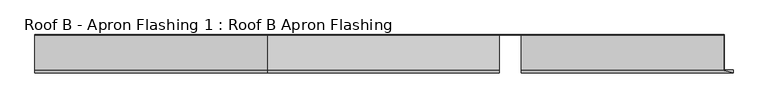
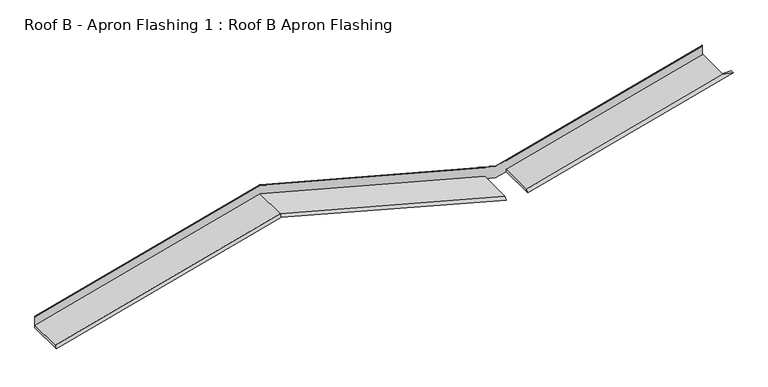
"""IFC4 building model written with IfcOpenShell, lengths in millimetres: proxy geometry, Roof B - Apron Flashing 1 : Roof B Apron Flashing."""

from ifc_helpers import new_model, si_unit, frame, origin, place, context, project, spatial, ellipse_curve, source, transform, mapped, element, save
from ifc_brep_helpers import plane_surface, cylinder_surface, advanced_brep


def roof_b_apron_flashing_1_roof_b_apron_flashing_ac337075(model_context):
    return source(origin(), model_context, "Body", "AdvancedBrep", [
        advanced_brep(
        [(2000.0, -488.4050751, 3993.4914166), (2000.0, -515.4050751, 3965.5389597), (4592.292347, -515.4050751, 3270.9363188), (4592.292347, -488.4050751, 3298.8887757), (2000.0, -85.5, 3965.5389597), (4715.0, -85.5, 3238.0569023), (4715.0, -86.5, 3238.0569023), (4592.292347, -86.5, 3270.9363188), (2000.0, -86.7239884, 4106.5414436), (2000.0, -90.5139698, 4100.4995101), (4592.292347, -90.5139698, 3405.8968692), (4592.292347, -86.7239884, 3411.9388026), (2000.0, -86.5, 3993.4914166), (4592.292347, -86.5, 3298.8887757), (-592.3448479, -515.4050751, 3270.9222512), (-592.3448479, -85.5, 3270.9222512), (-592.3448479, -86.7239884, 3411.9247351), (-592.3448479, -90.5139698, 3405.8828016), (-592.3448479, -86.5, 3298.8747081), (-592.3448479, -488.4050751, 3298.8747081), (4837.292347, -488.4050751, 3298.7774948), (4837.292347, -515.4050751, 3270.8250379), (7205.8522408, -515.4050751, 3905.4787487), (7101.5322516, -488.4050751, 3905.4787487), (4898.525907, -85.5, 3287.2325209), (4898.525907, -477.4175022, 3287.2325209), (7205.8522408, -477.4175022, 3905.4787487), (4837.292347, -86.5, 3270.8250379), (-592.3448479, -85.5, 3411.5493834), (2000.0, -85.5, 4106.1660919), (4715.0, -85.5, 3378.6840344), (7098.363155, -85.5, 4017.3042671), (7098.363155, -85.5, 3905.4787487), (7105.3478111, -85.5, 3905.4787487), (4898.525907, -85.5, 3314.1626016), (4837.292347, -86.7239884, 3411.8275217), (4837.292347, -90.5139698, 3405.7855883), (7098.363155, -90.5139698, 4011.6376853), (7098.363155, -86.7239884, 4017.6796188), (4837.292347, -86.5, 3298.7774948), (7101.5322516, -86.5, 3905.4787487), (7098.363155, -86.5, 3905.4787487), (7098.363155, -86.5, 4016.1358495), (4837.292347, -86.5, 3410.2837525), (4837.292347, -86.5, 3412.0481369), (4715.0, -86.5, 3379.2800012), (4592.292347, -86.5, 3412.1594178), (4592.292347, -86.5, 3410.3950334), (2000.0, -86.5, 4104.9976743), (-592.3448479, -86.5, 3410.3809658), (4837.292347, -89.6752992, 3405.2217365), (7098.363155, -89.6752992, 4011.0738335), (2000.0, -89.6752992, 4099.9356583), (4592.292347, -89.6752992, 3405.3330174), (-592.3448479, -89.6752992, 3405.3189498), (4898.525907, -477.4175022, 3314.1626016), (7105.3478111, -477.4175022, 3905.4787487)],
        [
            (0, 1),
            (1, 2),
            (2, 3),
            (3, 0),
            (1, 4),
            (4, 5),
            (5, 6),
            (6, 7),
            (7, 2),
            (8, 9),
            (9, 10),
            (10, 11),
            (11, 8),
            (12, 0),
            (3, 13),
            (13, 12),
            (1, 14),
            (14, 15),
            (15, 4),
            (8, 16),
            (16, 17),
            (17, 9),
            (12, 18),
            (18, 19),
            (19, 0),
            (20, 21),
            (21, 22),
            (22, 23),
            (23, 20),
            (5, 24),
            (24, 25),
            (25, 26),
            (26, 22),
            (21, 27),
            (27, 6),
            (15, 28),
            (28, 29),
            (29, 30),
            (30, 31),
            (31, 32),
            (32, 33),
            (33, 34),
            (34, 24),
            (35, 36),
            (36, 37),
            (37, 38),
            (38, 35),
            (13, 7),
            (27, 39),
            (39, 40),
            (40, 41),
            (41, 42),
            (42, 43),
            (43, 44),
            (44, 45),
            (45, 46),
            (46, 47),
            (47, 48),
            (48, 49),
            (49, 18),
            (39, 20),
            (23, 40),
            (30, 45, ellipse_curve(frame((4715.0, -86.1656921, 3378.6840344), z_axis=(1.0, 0.0, 0.0), x_axis=(0.0, 0.0, 1.0)), 0.6891751, 0.6656921)),
            (44, 35, ellipse_curve(frame((4837.292347, -86.1656921, 3411.4521701), z_axis=(1.0, 0.0, 0.0), x_axis=(0.0, 0.0, 1.0)), 0.6891751, 0.6656921)),
            (38, 31, ellipse_curve(frame((7098.363155, -86.1656921, 4017.3042671), z_axis=(-1.0, 0.0, 0.0), x_axis=(0.0, 0.0, 1.0)), 0.6891751, 0.6656921)),
            (36, 50, ellipse_curve(frame((4837.292347, -90.0946345, 3405.5036624), z_axis=(1.0, 0.0, 0.0), x_axis=(0.0, 0.0, 1.0)), 0.5176381, 0.5)),
            (50, 51),
            (51, 37, ellipse_curve(frame((7098.363155, -90.0946345, 4011.3557594), z_axis=(-1.0, 0.0, 0.0), x_axis=(0.0, 0.0, 1.0)), 0.5176381, 0.5)),
            (50, 43),
            (42, 51),
            (29, 8, ellipse_curve(frame((2000.0, -86.1656921, 4106.1660919), z_axis=(1.0, 0.0, 0.0), x_axis=(0.0, 0.0, -1.0)), 0.6891751, 0.6656921)),
            (11, 46, ellipse_curve(frame((4592.292347, -86.1656921, 3411.563451), z_axis=(-1.0, 0.0, 0.0), x_axis=(0.0, 0.0, -1.0)), 0.6891751, 0.6656921)),
            (9, 52, ellipse_curve(frame((2000.0, -90.0946345, 4100.2175842), z_axis=(1.0, 0.0, 0.0), x_axis=(0.0, 0.0, -1.0)), 0.5176381, 0.5)),
            (52, 53),
            (53, 10, ellipse_curve(frame((4592.292347, -90.0946345, 3405.6149433), z_axis=(-1.0, 0.0, 0.0), x_axis=(0.0, 0.0, -1.0)), 0.5176381, 0.5)),
            (52, 48),
            (47, 53),
            (28, 16, ellipse_curve(frame((-592.3448479, -86.1656921, 3411.5493834), z_axis=(1.0, 0.0, 0.0), x_axis=(0.0, 0.0, 1.0)), 0.6891751, 0.6656921)),
            (17, 54, ellipse_curve(frame((-592.3448479, -90.0946345, 3405.6008757), z_axis=(1.0, 0.0, 0.0), x_axis=(0.0, 0.0, 1.0)), 0.5176381, 0.5)),
            (54, 52),
            (54, 49),
            (19, 14),
            (25, 55),
            (55, 56),
            (56, 26),
            (55, 34),
            (33, 56),
            (32, 41),
        ],
        [
            plane_surface(frame((4715.0, -488.4050751, 3266.0093592), z_axis=(0.18301270189221883, -0.7071067811865478, 0.6830127018922193), x_axis=(-0.9659258262890684, 0.0, 0.2588190451025201))),
            plane_surface(frame((4715.0, -515.4050751, 3238.0569023), z_axis=(-0.2588190451025201, 0.0, -0.9659258262890684), x_axis=(-0.9659258262890684, 0.0, 0.2588190451025201))),
            plane_surface(frame((4715.0, -86.7239884, 3379.0593861), z_axis=(0.14096295496814815, -0.838670567945422, 0.5260809099261741), x_axis=(-0.9659258262890685, 0.0, 0.2588190451025201))),
            plane_surface(frame((4715.0, -86.5, 3266.0093592), z_axis=(0.2588190451025201, 0.0, 0.9659258262890684), x_axis=(-0.9659258262890684, 0.0, 0.2588190451025201))),
            plane_surface(frame((2000.0, -515.4050751, 3965.5389597), z_axis=(0.25881904510251996, 0.0, -0.9659258262890685), x_axis=(-0.9659258262890685, 0.0, -0.25881904510251996))),
            plane_surface(frame((2000.0, -86.7239884, 4106.5414436), z_axis=(-0.1409629549681481, -0.8386705679454222, 0.526080909926174), x_axis=(-0.9659258262890685, 0.0, -0.25881904510252))),
            plane_surface(frame((2000.0, -86.5, 3993.4914166), z_axis=(-0.2588190451025201, 0.0, 0.9659258262890684), x_axis=(-0.9659258262890684, 0.0, -0.2588190451025201))),
            plane_surface(frame((7217.9826273, -488.4050751, 3936.6815328), z_axis=(-0.18301270189221663, -0.7071067811865478, 0.6830127018922197), x_axis=(-0.9659258262890693, 0.0, -0.258819045102517))),
            plane_surface(frame((7224.9707415, -515.4050751, 3910.6015355), z_axis=(0.2588190451025171, 0.0, -0.9659258262890693), x_axis=(-0.9659258262890693, 0.0, -0.2588190451025171))),
            plane_surface(frame((7224.9707415, -85.5, 3910.6015355), z_axis=(0.0, 1.0, 0.0), x_axis=(-0.9659258262890693, 0.0, -0.2588190451025171))),
            plane_surface(frame((7189.7201206, -86.7239884, 4042.1586439), z_axis=(-0.1409629549681465, -0.8386705679454222, 0.5260809099261744), x_axis=(-0.9659258262890693, 0.0, -0.25881904510251713))),
            plane_surface(frame((7190.1060629, -86.5, 4040.7182876), z_axis=(0.0, -1.0, 0.0), x_axis=(-0.9659258262890693, 0.0, -0.258819045102517))),
            plane_surface(frame((7217.9826273, -86.5, 3936.6815328), z_axis=(-0.2588190451025169, 0.0, 0.9659258262890694), x_axis=(-0.9659258262890694, 0.0, -0.2588190451025169))),
            cylinder_surface(frame((7189.8139585, -86.1656921, 4041.808436), z_axis=(0.9659258262890694, 0.0, 0.2588190451025169), x_axis=(-0.2588190451025169, 0.0, 0.9659258262890694)), 0.6656921),
            cylinder_surface(frame((7191.3010854, -90.0946345, 4036.2584028), z_axis=(0.9659258262890694, 0.0, 0.2588190451025169), x_axis=(-0.2588190451025169, 0.0, 0.9659258262890694)), 0.5),
            plane_surface(frame((7191.3715669, -89.6752992, 4035.9953624), z_axis=(0.1409629549681444, 0.8386705679454272, -0.5260809099261671), x_axis=(-0.9659258262890694, 0.0, -0.2588190451025169))),
            cylinder_surface(frame((4770.9117064, -86.1656921, 3363.7025379), z_axis=(0.9659258262890684, 0.0, -0.2588190451025201), x_axis=(0.2588190451025201, 0.0, 0.9659258262890684)), 0.6656921),
            cylinder_surface(frame((4769.4245795, -90.0946345, 3358.1525047), z_axis=(0.9659258262890684, 0.0, -0.2588190451025201), x_axis=(0.2588190451025201, 0.0, 0.9659258262890684)), 0.5),
            plane_surface(frame((4715.0, -89.6752992, 3372.4536009), z_axis=(-0.14096295496814612, 0.8386705679454273, -0.5260809099261665), x_axis=(-0.9659258262890685, 0.0, 0.2588190451025201))),
            cylinder_surface(frame((1944.0882936, -86.1656921, 4091.1845953), z_axis=(0.9659258262890684, 0.0, 0.2588190451025201), x_axis=(-0.2588190451025201, 0.0, 0.9659258262890684)), 0.6656921),
            cylinder_surface(frame((1945.5754205, -90.0946345, 4085.6345621), z_axis=(0.9659258262890684, 0.0, 0.2588190451025201), x_axis=(-0.2588190451025201, 0.0, 0.9659258262890684)), 0.5),
            plane_surface(frame((2000.0, -89.6752992, 4099.9356583), z_axis=(0.1409629549681462, 0.838670567945427, -0.5260809099261665), x_axis=(-0.9659258262890684, 0.0, -0.25881904510252024))),
            plane_surface(frame((2000.0, -488.4050751, 3993.4914166), z_axis=(-0.18301270189221863, -0.7071067811865479, 0.6830127018922192), x_axis=(-0.9659258262890685, 0.0, -0.2588190451025199))),
            plane_surface(frame((4837.292347, -5046.7244148, 3660.9894786), z_axis=(-1.0, 0.0, 0.0), x_axis=(0.0, 0.0, -1.0))),
            plane_surface(frame((4592.292347, -86.5, 3660.9894786), z_axis=(1.0, 0.0, 0.0), x_axis=(0.0, 0.0, -1.0))),
            plane_surface(frame((-592.3448479, -4785.0, 3739.5229882), z_axis=(-1.0, 0.0, 0.0), x_axis=(0.0, 0.0, -1.0))),
            plane_surface(frame((4898.525907, -477.4175022, 3214.1626016), z_axis=(0.0, 1.0, 0.0), x_axis=(1.0, 0.0, 0.0))),
            plane_surface(frame((7613.525907, -477.4175022, 4041.6446591), z_axis=(0.25881904510251846, 0.0, -0.965925826289069), x_axis=(0.0, 1.0, 0.0))),
            plane_surface(frame((4898.525907, -477.4175022, 3314.1626016), z_axis=(1.0, 0.0, 0.0), x_axis=(0.0, 1.0, 0.0))),
            plane_surface(frame((7698.363155, -2764.6928122, 3905.4787487), z_axis=(0.0, 0.0, 1.0), x_axis=(0.0, -1.0, 0.0))),
            plane_surface(frame((7098.363155, -85.0, 4505.4787487), z_axis=(1.0, 0.0, 0.0), x_axis=(0.0, 0.0, -1.0))),
        ],
        [
            (0, [[1, 2, 3, 4]]),
            (1, [[5, 6, 7, 8, 9, -2]]),
            (2, [[10, 11, 12, 13]]),
            (3, [[14, -4, 15, 16]]),
            (4, [[-5, 17, 18, 19]]),
            (5, [[-10, 20, 21, 22]]),
            (6, [[-14, 23, 24, 25]]),
            (7, [[26, 27, 28, 29]]),
            (8, [[-7, 30, 31, 32, 33, -27, 34, 35]]),
            (9, [[-6, -19, 36, 37, 38, 39, 40, 41, 42, 43, -30]]),
            (10, [[44, 45, 46, 47]]),
            (11, [[-16, 48, -8, -35, 49, 50, 51, 52, 53, 54, 55, 56, 57, 58, 59, 60, -23]]),
            (12, [[61, -29, 62, -50]]),
            (13, [[63, -55, 64, -47, 65, -39]]),
            (14, [[66, 67, 68, -45]]),
            (15, [[69, -53, 70, -67]]),
            (16, [[-38, 71, -13, 72, -56, -63]]),
            (17, [[73, 74, 75, -11]]),
            (18, [[76, -58, 77, -74]]),
            (19, [[-71, -37, 78, -20]]),
            (20, [[-73, -22, 79, 80]]),
            (21, [[-76, -80, 81, -59]]),
            (22, [[-1, -25, 82, -17]]),
            (23, [[-49, -34, -26, -61]]),
            (23, [[-54, -69, -66, -44, -64]]),
            (24, [[-48, -15, -3, -9]]),
            (24, [[-57, -72, -12, -75, -77]]),
            (25, [[-18, -82, -24, -60, -81, -79, -21, -78, -36]]),
            (26, [[83, 84, 85, -32]]),
            (27, [[86, -42, 87, -84]]),
            (28, [[-83, -31, -43, -86]]),
            (29, [[88, -51, -62, -28, -33, -85, -87, -41]]),
            (30, [[-88, -40, -65, -46, -68, -70, -52]]),
        ],
    ),
    ])


if __name__ == "__main__":
    model = new_model("IFC4")
    model_context = context("Model", 3, world=origin())
    ifc_project = project(units=[si_unit("LENGTHUNIT", "METRE", prefix="MILLI")], contexts=[model_context])
    site = spatial("IfcSite", under=ifc_project)
    building = spatial("IfcBuilding", under=site)
    placement = place(None, origin())
    roof_b_apron_flashing_1_roof_b_apron_flashing_shape = roof_b_apron_flashing_1_roof_b_apron_flashing_ac337075(model_context)
    element("IfcBuildingElementProxy", 1, Name="Roof B - Apron Flashing 1 : Roof B Apron Flashing", ObjectType="Roof B - Apron Flashing 1 : Roof B Apron Flashing", at=placement, inside=building, context=model_context, shape_type="MappedRepresentation", body=[
        mapped(roof_b_apron_flashing_1_roof_b_apron_flashing_shape, transform((0.0, 0.0, 0.0), x_axis=(1.0, 0.0, 0.0), y_axis=(0.0, 1.0, 0.0), z_axis=(0.0, 0.0, 1.0))),
    ])
    save(model, "model.ifc")
